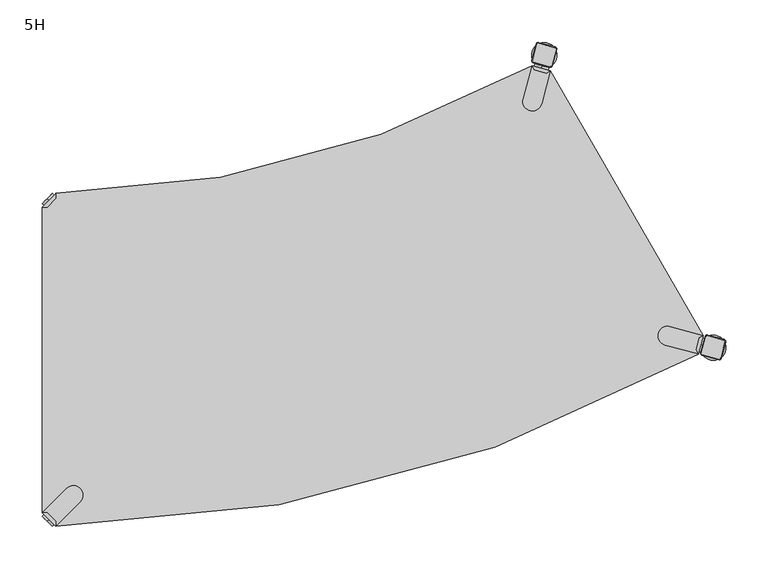
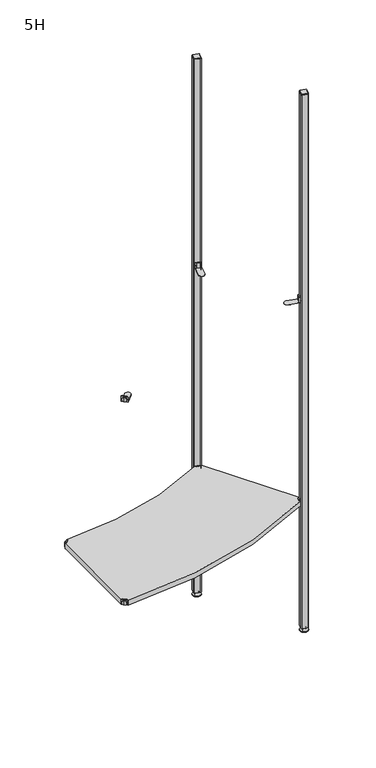
"""IFC4 building model written with IfcOpenShell, lengths in millimetres: furniture geometry, 5H."""

from ifc_helpers import new_model, si_unit, point, frame, frame_2d, origin, place, context, project, spatial, polyline, circle_curve, trimmed, segment, composite_curve, outline, extrude, source, transform, mapped, element, save
from ifc_brep_helpers import plane_surface, cylinder_surface, revolved_surface, advanced_brep


def furniture_5h_c23657b0(model_context):
    return source(origin(), model_context, "Body", "SolidModel", [
        advanced_brep(
        [(784.3573865, 207.0864775, 0.0), (810.3381486, 222.0864775, 0.0), (797.3477675, 214.5864775, 0.0), (784.3573865, 207.0864775, 2.0), (810.3381486, 222.0864775, 2.0), (790.4195643, 210.5864775, 9.0), (804.2759707, 218.5864775, 9.0), (793.8836659, 212.5864775, 9.0), (800.8118691, 216.5864775, 9.0), (793.8836659, 212.5864775, 15.0), (800.8118691, 216.5864775, 15.0), (797.3477675, 214.5864775, 15.0)],
        [
            (0, 1, circle_curve(frame((797.3477675, 214.5864775, 0.0), z_axis=(0.0, 0.0, -1.0), x_axis=(0.8660254037844338, 0.5000000000000082, 0.0)), 15.0)),
            (1, 2),
            (2, 0),
            (1, 0, circle_curve(frame((797.3477675, 214.5864775, 0.0), z_axis=(0.0, 0.0, -1.0), x_axis=(0.8660254037844338, 0.5000000000000082, 0.0)), 15.0)),
            (3, 4, circle_curve(frame((797.3477675, 214.5864775, 2.0), z_axis=(0.0, 0.0, -1.0), x_axis=(0.8660254037844338, 0.5000000000000082, 0.0)), 15.0)),
            (4, 1),
            (0, 3),
            (4, 3, circle_curve(frame((797.3477675, 214.5864775, 2.0), z_axis=(0.0, 0.0, -1.0), x_axis=(0.8660254037844338, 0.5000000000000082, 0.0)), 15.0)),
            (5, 6, circle_curve(frame((797.3477675, 214.5864775, 9.0), z_axis=(0.0, 0.0, -1.0), x_axis=(0.8660254037844338, 0.5000000000000082, 0.0)), 8.0)),
            (6, 4),
            (3, 5),
            (6, 5, circle_curve(frame((797.3477675, 214.5864775, 9.0), z_axis=(0.0, 0.0, -1.0), x_axis=(0.8660254037844338, 0.5000000000000082, 0.0)), 8.0)),
            (7, 8, circle_curve(frame((797.3477675, 214.5864775, 9.0), z_axis=(0.0, 0.0, -1.0), x_axis=(0.8660254037844338, 0.5000000000000082, 0.0)), 4.0)),
            (8, 6),
            (5, 7),
            (8, 7, circle_curve(frame((797.3477675, 214.5864775, 9.0), z_axis=(0.0, 0.0, -1.0), x_axis=(0.8660254037844338, 0.5000000000000082, 0.0)), 4.0)),
            (9, 10, circle_curve(frame((797.3477675, 214.5864775, 15.0), z_axis=(0.0, 0.0, -1.0), x_axis=(0.8660254037844338, 0.5000000000000082, 0.0)), 4.0)),
            (10, 8),
            (7, 9),
            (10, 9, circle_curve(frame((797.3477675, 214.5864775, 15.0), z_axis=(0.0, 0.0, -1.0), x_axis=(0.8660254037844338, 0.5000000000000082, 0.0)), 4.0)),
            (11, 10),
            (9, 11),
        ],
        [
            plane_surface(frame((797.3477675, 214.5864775, 0.0), z_axis=(0.0, 0.0, -1.0), x_axis=(0.8660254037844339, 0.5000000000000083, 0.0))),
            cylinder_surface(frame((797.3477675, 214.5864775, 18.6083303), z_axis=(0.0, 0.0, 1.0), x_axis=(0.8660254037844338, 0.5000000000000082, 0.0)), 15.0),
            revolved_surface(polyline([(810.3381486, 222.0864775, 2.0), (804.2759707, 218.5864775, 9.0)]), (797.3477675, 214.5864775, 18.6083303), (0.0, 0.0, 1.0)),
            plane_surface(frame((797.3477675, 214.5864775, 9.0), z_axis=(0.0, 0.0, 1.0), x_axis=(0.8660254037844339, 0.5000000000000083, 0.0))),
            cylinder_surface(frame((797.3477675, 214.5864775, 18.6083303), z_axis=(0.0, 0.0, 1.0), x_axis=(0.8660254037844338, 0.5000000000000082, 0.0)), 4.0),
            plane_surface(frame((797.3477675, 214.5864775, 15.0), z_axis=(0.0, 0.0, 1.0), x_axis=(0.8660254037844339, 0.5000000000000083, 0.0))),
        ],
        [
            (0, [[1, 2, 3]]),
            (0, [[4, -3, -2]]),
            (1, [[5, 6, -1, 7]]),
            (1, [[8, -7, -4, -6]]),
            (2, [[9, 10, -5, 11]]),
            (2, [[12, -11, -8, -10]]),
            (3, [[13, 14, -9, 15]]),
            (3, [[16, -15, -12, -14]]),
            (4, [[17, 18, -13, 19]]),
            (4, [[20, -19, -16, -18]]),
            (5, [[21, -17, 22]]),
            (5, [[-22, -20, -21]]),
        ],
    ),
        advanced_brep(
        [(788.6346258, 227.2739186, 2117.0), (783.4582449, 207.9554021, 2117.0), (784.6603264, 205.8733358, 2117.0), (803.9788429, 200.6969549, 2117.0), (806.0609092, 201.8990364, 2117.0), (811.2372901, 221.2175529, 2117.0), (810.0352086, 223.2996192, 2117.0), (790.7166921, 228.4760001, 2117.0), (787.8618851, 227.4809738, 2115.0), (790.9237473, 229.2487408, 2115.0), (810.2422638, 224.0723599, 2115.0), (812.0100308, 221.0104977, 2115.0), (806.8336499, 201.6919812, 2115.0), (803.7717877, 199.9242142, 2115.0), (784.4532712, 205.1005951, 2115.0), (782.6855042, 208.1624573, 2115.0)],
        [
            (0, 1),
            (1, 2, circle_curve(frame((785.1003188, 207.5154097, 2117.0), z_axis=(0.0, 0.0, 1.0), x_axis=(-0.965925826289073, 0.25881904510250314, 0.0)), 1.7)),
            (2, 3),
            (3, 4, circle_curve(frame((804.4188353, 202.3390288, 2117.0), z_axis=(0.0, 0.0, 1.0), x_axis=(-0.25881904510251363, -0.9659258262890702, 0.0)), 1.7)),
            (4, 5),
            (5, 6, circle_curve(frame((809.5952162, 221.6575453, 2117.0), z_axis=(0.0, 0.0, 1.0), x_axis=(0.9659258262890675, -0.258819045102523, 0.0)), 1.7)),
            (6, 7),
            (7, 0, circle_curve(frame((790.2766997, 226.8339262, 2117.0), z_axis=(0.0, 0.0, 1.0), x_axis=(0.25881904510250914, 0.9659258262890713, 0.0)), 1.7)),
            (8, 9, circle_curve(frame((790.2766997, 226.8339262, 2115.0), z_axis=(0.0, 0.0, -1.0), x_axis=(0.25881904510250914, 0.9659258262890713, 0.0)), 2.5)),
            (9, 10),
            (10, 11, circle_curve(frame((809.5952162, 221.6575453, 2115.0), z_axis=(0.0, 0.0, -1.0), x_axis=(0.9659258262890675, -0.258819045102523, 0.0)), 2.5)),
            (11, 12),
            (12, 13, circle_curve(frame((804.4188353, 202.3390288, 2115.0), z_axis=(0.0, 0.0, -1.0), x_axis=(-0.25881904510251363, -0.9659258262890702, 0.0)), 2.5)),
            (13, 14),
            (14, 15, circle_curve(frame((785.1003188, 207.5154097, 2115.0), z_axis=(0.0, 0.0, -1.0), x_axis=(-0.965925826289073, 0.25881904510250314, 0.0)), 2.5)),
            (15, 8),
            (15, 1),
            (0, 8),
            (14, 2),
            (13, 3),
            (12, 4),
            (11, 5),
            (10, 6),
            (9, 7),
        ],
        [
            plane_surface(frame((797.3477675, 214.5864775, 2117.0), z_axis=(0.0, 0.0, 1.0000000000000002), x_axis=(-0.9659258262890712, 0.2588190451025102, 0.0))),
            plane_surface(frame((797.3477675, 214.5864775, 2115.0), z_axis=(0.0, 0.0, -1.0000000000000002), x_axis=(-0.9659258262890712, 0.2588190451025102, 0.0))),
            plane_surface(frame((785.2736947, 217.8217156, 2115.0), z_axis=(-0.8968396148335178, 0.24030745053486183, 0.37139067635402817), x_axis=(-0.25881904510250225, -0.9659258262890733, 0.0))),
            revolved_surface(polyline([(783.458244872, 207.95540206799998, 2117.0), (782.6855042, 208.1624573, 2115.0)]), (785.1003188, 207.5154097, 2121.25), (0.0, 0.0, -1.0)),
            plane_surface(frame((794.1125294, 202.5124047, 2115.0), z_axis=(-0.2403074505348654, -0.8968396148335208, 0.37139067635401873), x_axis=(0.9659258262890725, -0.2588190451025051, 0.0))),
            revolved_surface(polyline([(803.978842932, 200.696954872, 2117.0), (803.7717877, 199.9242142, 2115.0)]), (804.4188353, 202.3390288, 2121.25), (0.0, 0.0, -1.0)),
            plane_surface(frame((809.4218403, 211.3512394, 2115.0), z_axis=(0.8968396148335338, -0.24030745053487898, 0.3713906763539787), x_axis=(0.25881904510252046, 0.9659258262890684, 0.0))),
            revolved_surface(polyline([(811.2372901279999, 221.21755293200002, 2117.0), (812.0100308, 221.0104977, 2115.0)]), (809.5952162, 221.6575453, 2121.25), (0.0, 0.0, -1.0)),
            plane_surface(frame((800.5830056, 226.6605503, 2115.0), z_axis=(0.24030745053488872, 0.8968396148335293, 0.3713906763539829), x_axis=(-0.9659258262890682, 0.25881904510252096, 0.0))),
            revolved_surface(polyline([(790.7166920679999, 228.476000128, 2117.0), (790.9237473, 229.2487408, 2115.0)]), (790.2766997, 226.8339262, 2121.25), (0.0, 0.0, -1.0)),
        ],
        [
            (0, [[1, 2, 3, 4, 5, 6, 7, 8]]),
            (1, [[9, 10, 11, 12, 13, 14, 15, 16]]),
            (2, [[-16, 17, -1, 18]]),
            (3, [[-15, 19, -2, -17]]),
            (4, [[-14, 20, -3, -19]]),
            (5, [[-13, 21, -4, -20]]),
            (6, [[-12, 22, -5, -21]]),
            (7, [[-11, 23, -6, -22]]),
            (8, [[-10, 24, -7, -23]]),
            (9, [[-9, -18, -8, -24]]),
        ],
    ),
        extrude(outline(composite_curve([segment(trimmed(circle_curve(frame_2d((809.5952162, 221.6575453)), 2.5), [point((810.2422638, 224.0723599))], [point((812.0100308, 221.0104977))], False, "CARTESIAN"), True, "CONTINUOUS"), segment(polyline([(812.0100308, 221.0104977), (806.8336499, 201.6919812)]), True, "CONTINUOUS"), segment(trimmed(circle_curve(frame_2d((804.4188353, 202.3390288)), 2.5), [point((806.8336499, 201.6919812))], [point((803.7717877, 199.9242142))], False, "CARTESIAN"), True, "CONTINUOUS"), segment(polyline([(803.7717877, 199.9242142), (784.4532712, 205.1005951)]), True, "CONTINUOUS"), segment(trimmed(circle_curve(frame_2d((785.1003188, 207.5154097)), 2.5), [point((784.4532712, 205.1005951))], [point((782.6855042, 208.1624573))], False, "CARTESIAN"), True, "CONTINUOUS"), segment(polyline([(782.6855042, 208.1624573), (787.8618851, 227.4809738)]), True, "CONTINUOUS"), segment(trimmed(circle_curve(frame_2d((790.2766997, 226.8339262)), 2.5), [point((787.8618851, 227.4809738))], [point((790.9237473, 229.2487408))], False, "CARTESIAN"), True, "CONTINUOUS"), segment(polyline([(790.9237473, 229.2487408), (810.2422638, 224.0723599)]), True, "CONTINUOUS")], self_intersect=False)), frame((0.0, 0.0, 15.0), z_axis=(0.0, 0.0, 1.0), x_axis=(1.0, 0.0, 0.0)), (0.0, 0.0, 1.0), 2100.0),
        advanced_brep(
        [(584.3575668, 553.4963267, 0.0), (597.3479479, 560.9963267, 0.0), (610.3383289, 568.4963267, 0.0), (584.3575668, 553.4963267, 2.0), (610.3383289, 568.4963267, 2.0), (590.4197446, 556.9963267, 9.0), (604.2761511, 564.9963267, 9.0), (593.8838462, 558.9963267, 9.0), (600.8120495, 562.9963267, 9.0), (593.8838462, 558.9963267, 15.0), (600.8120495, 562.9963267, 15.0), (597.3479479, 560.9963267, 15.0)],
        [
            (0, 1),
            (1, 2),
            (2, 0, circle_curve(frame((597.3479479, 560.9963267, 0.0), z_axis=(0.0, 0.0, -1.0), x_axis=(0.866025403784441, 0.4999999999999961, 0.0)), 15.0)),
            (0, 2, circle_curve(frame((597.3479479, 560.9963267, 0.0), z_axis=(0.0, 0.0, -1.0), x_axis=(0.866025403784441, 0.4999999999999961, 0.0)), 15.0)),
            (3, 0),
            (2, 4),
            (4, 3, circle_curve(frame((597.3479479, 560.9963267, 2.0), z_axis=(0.0, 0.0, -1.0), x_axis=(0.866025403784441, 0.4999999999999961, 0.0)), 15.0)),
            (3, 4, circle_curve(frame((597.3479479, 560.9963267, 2.0), z_axis=(0.0, 0.0, -1.0), x_axis=(0.866025403784441, 0.4999999999999961, 0.0)), 15.0)),
            (5, 3),
            (4, 6),
            (6, 5, circle_curve(frame((597.3479479, 560.9963267, 9.0), z_axis=(0.0, 0.0, -1.0), x_axis=(0.866025403784441, 0.4999999999999961, 0.0)), 8.0)),
            (5, 6, circle_curve(frame((597.3479479, 560.9963267, 9.0), z_axis=(0.0, 0.0, -1.0), x_axis=(0.866025403784441, 0.4999999999999961, 0.0)), 8.0)),
            (7, 5),
            (6, 8),
            (8, 7, circle_curve(frame((597.3479479, 560.9963267, 9.0), z_axis=(0.0, 0.0, -1.0), x_axis=(0.866025403784441, 0.4999999999999961, 0.0)), 4.0)),
            (7, 8, circle_curve(frame((597.3479479, 560.9963267, 9.0), z_axis=(0.0, 0.0, -1.0), x_axis=(0.866025403784441, 0.4999999999999961, 0.0)), 4.0)),
            (9, 7),
            (8, 10),
            (10, 9, circle_curve(frame((597.3479479, 560.9963267, 15.0), z_axis=(0.0, 0.0, -1.0), x_axis=(0.866025403784441, 0.4999999999999961, 0.0)), 4.0)),
            (9, 10, circle_curve(frame((597.3479479, 560.9963267, 15.0), z_axis=(0.0, 0.0, -1.0), x_axis=(0.866025403784441, 0.4999999999999961, 0.0)), 4.0)),
            (11, 9),
            (10, 11),
        ],
        [
            plane_surface(frame((597.3479479, 560.9963267, 0.0), z_axis=(0.0, 0.0, -1.0000000000000002), x_axis=(0.866025403784441, 0.4999999999999961, 0.0))),
            cylinder_surface(frame((597.3479479, 560.9963267, 18.6083303), z_axis=(0.0, 0.0, 1.0), x_axis=(0.866025403784441, 0.4999999999999961, 0.0)), 15.0),
            revolved_surface(polyline([(610.3383289, 568.4963267, 2.0), (604.2761511, 564.9963267, 9.0)]), (597.3479479, 560.9963267, 18.6083303), (0.0, 0.0, 1.0)),
            plane_surface(frame((597.3479479, 560.9963267, 9.0), z_axis=(0.0, 0.0, 1.0000000000000002), x_axis=(0.866025403784441, 0.4999999999999961, 0.0))),
            cylinder_surface(frame((597.3479479, 560.9963267, 18.6083303), z_axis=(0.0, 0.0, 1.0), x_axis=(0.866025403784441, 0.4999999999999961, 0.0)), 4.0),
            plane_surface(frame((597.3479479, 560.9963267, 15.0), z_axis=(0.0, 0.0, 1.0000000000000002), x_axis=(0.866025403784441, 0.4999999999999961, 0.0))),
        ],
        [
            (0, [[1, 2, 3]]),
            (0, [[-2, -1, 4]]),
            (1, [[5, -3, 6, 7]]),
            (1, [[-6, -4, -5, 8]]),
            (2, [[9, -7, 10, 11]]),
            (2, [[-10, -8, -9, 12]]),
            (3, [[13, -11, 14, 15]]),
            (3, [[-14, -12, -13, 16]]),
            (4, [[17, -15, 18, 19]]),
            (4, [[-18, -16, -17, 20]]),
            (5, [[21, -19, 22]]),
            (5, [[-22, -20, -21]]),
        ],
    ),
        advanced_brep(
        [(603.9790233, 547.106804, 2117.0), (606.0610896, 548.3088856, 2117.0), (611.2374705, 567.6274021, 2117.0), (610.0353889, 569.7094684, 2117.0), (590.7168724, 574.8858493, 2117.0), (588.6348061, 573.6837677, 2117.0), (583.4584252, 554.3652512, 2117.0), (584.6605068, 552.2831849, 2117.0), (603.7719681, 546.3340634, 2115.0), (584.4534515, 551.5104443, 2115.0), (582.6856846, 554.5723065, 2115.0), (587.8620655, 573.890823, 2115.0), (590.9239277, 575.6585899, 2115.0), (610.2424442, 570.482209, 2115.0), (612.0102111, 567.4203469, 2115.0), (606.8338302, 548.1018303, 2115.0)],
        [
            (0, 1, circle_curve(frame((604.4190157, 548.7488779, 2117.0), z_axis=(0.0, 0.0, 1.0), x_axis=(0.9659258262890666, -0.2588190451025275, 0.0)), 1.7)),
            (1, 2),
            (2, 3, circle_curve(frame((609.5953966, 568.0673945, 2117.0), z_axis=(0.0, 0.0, 1.0), x_axis=(0.2588190451025136, 0.9659258262890702, 0.0)), 1.7)),
            (3, 4),
            (4, 5, circle_curve(frame((590.27688, 573.2437754, 2117.0), z_axis=(0.0, 0.0, 1.0), x_axis=(-0.9659258262890679, 0.25881904510252307, 0.0)), 1.7)),
            (5, 6),
            (6, 7, circle_curve(frame((585.1004991, 553.9252588, 2117.0), z_axis=(0.0, 0.0, 1.0), x_axis=(-0.2588190451025336, -0.9659258262890651, 0.0)), 1.7)),
            (7, 0),
            (8, 9),
            (9, 10, circle_curve(frame((585.1004991, 553.9252588, 2115.0), z_axis=(0.0, 0.0, -1.0), x_axis=(-0.2588190451025336, -0.9659258262890651, 0.0)), 2.5)),
            (10, 11),
            (11, 12, circle_curve(frame((590.27688, 573.2437754, 2115.0), z_axis=(0.0, 0.0, -1.0), x_axis=(-0.9659258262890679, 0.25881904510252307, 0.0)), 2.5)),
            (12, 13),
            (13, 14, circle_curve(frame((609.5953966, 568.0673945, 2115.0), z_axis=(0.0, 0.0, -1.0), x_axis=(0.2588190451025136, 0.9659258262890702, 0.0)), 2.5)),
            (14, 15),
            (15, 8, circle_curve(frame((604.4190157, 548.7488779, 2115.0), z_axis=(0.0, 0.0, -1.0), x_axis=(0.9659258262890666, -0.2588190451025275, 0.0)), 2.5)),
            (8, 0),
            (7, 9),
            (6, 10),
            (5, 11),
            (4, 12),
            (3, 13),
            (2, 14),
            (1, 15),
        ],
        [
            plane_surface(frame((597.3479479, 560.9963267, 2117.0), z_axis=(0.0, 0.0, 1.0000000000000002), x_axis=(-0.25881904510252657, -0.9659258262890669, 0.0))),
            plane_surface(frame((597.3479479, 560.9963267, 2115.0), z_axis=(0.0, 0.0, -1.0000000000000002), x_axis=(-0.25881904510252657, -0.9659258262890669, 0.0))),
            plane_surface(frame((594.1127098, 548.9222538, 2115.0), z_axis=(-0.24030745053489166, -0.8968396148335098, 0.37139067635402817), x_axis=(-0.9659258262890646, 0.2588190451025344, 0.0))),
            revolved_surface(polyline([(584.660506732, 552.2831849400001, 2117.0), (584.4534515, 551.5104443, 2115.0)]), (585.1004991, 553.9252588, 2121.25), (0.0, 0.0, -1.0)),
            plane_surface(frame((585.273875, 564.2315647, 2115.0), z_axis=(-0.8968396148335143, 0.2403074505348901, 0.37139067635401884), x_axis=(0.2588190451025317, 0.9659258262890655, 0.0))),
            revolved_surface(polyline([(588.63480614, 573.6837677679999, 2117.0), (587.8620655, 573.890823, 2115.0)]), (590.27688, 573.2437754, 2121.25), (0.0, 0.0, -1.0)),
            plane_surface(frame((600.5831859, 573.0703995, 2115.0), z_axis=(0.24030745053488473, 0.8968396148335321, 0.3713906763539787), x_axis=(0.9659258262890695, -0.2588190451025162, 0.0))),
            revolved_surface(polyline([(610.035388968, 569.70946836, 2117.0), (610.2424442, 570.482209, 2115.0)]), (609.5953966, 568.0673945, 2121.25), (0.0, 0.0, -1.0)),
            plane_surface(frame((609.4220207, 557.7610886, 2115.0), z_axis=(0.8968396148335332, -0.24030745053487412, 0.37139067635398293), x_axis=(-0.2588190451025157, -0.9659258262890696, 0.0))),
            revolved_surface(polyline([(606.06108956, 548.308885532, 2117.0), (606.8338302, 548.1018303, 2115.0)]), (604.4190157, 548.7488779, 2121.25), (0.0, 0.0, -1.0)),
        ],
        [
            (0, [[1, 2, 3, 4, 5, 6, 7, 8]]),
            (1, [[9, 10, 11, 12, 13, 14, 15, 16]]),
            (2, [[17, -8, 18, -9]]),
            (3, [[-18, -7, 19, -10]]),
            (4, [[-19, -6, 20, -11]]),
            (5, [[-20, -5, 21, -12]]),
            (6, [[-21, -4, 22, -13]]),
            (7, [[-22, -3, 23, -14]]),
            (8, [[-23, -2, 24, -15]]),
            (9, [[-24, -1, -17, -16]]),
        ],
    ),
        extrude(outline(composite_curve([segment(polyline([(612.0102111, 567.4203469), (606.8338302, 548.1018303)]), True, "CONTINUOUS"), segment(trimmed(circle_curve(frame_2d((604.4190157, 548.7488779)), 2.5), [point((606.8338302, 548.1018303))], [point((603.7719681, 546.3340634))], False, "CARTESIAN"), True, "CONTINUOUS"), segment(polyline([(603.7719681, 546.3340634), (584.4534515, 551.5104443)]), True, "CONTINUOUS"), segment(trimmed(circle_curve(frame_2d((585.1004991, 553.9252588)), 2.5), [point((584.4534515, 551.5104443))], [point((582.6856846, 554.5723065))], False, "CARTESIAN"), True, "CONTINUOUS"), segment(polyline([(582.6856846, 554.5723065), (587.8620655, 573.890823)]), True, "CONTINUOUS"), segment(trimmed(circle_curve(frame_2d((590.27688, 573.2437754)), 2.5), [point((587.8620655, 573.890823))], [point((590.9239277, 575.6585899))], False, "CARTESIAN"), True, "CONTINUOUS"), segment(polyline([(590.9239277, 575.6585899), (610.2424442, 570.482209)]), True, "CONTINUOUS"), segment(trimmed(circle_curve(frame_2d((609.5953966, 568.0673945)), 2.5), [point((610.2424442, 570.482209))], [point((612.0102111, 567.4203469))], False, "CARTESIAN"), True, "CONTINUOUS")], self_intersect=False)), frame((0.0, 0.0, 15.0), z_axis=(0.0, 0.0, 1.0), x_axis=(1.0, 0.0, 0.0)), (0.0, 0.0, 1.0), 2100.0),
        advanced_brep(
        [(10.9601551, 10.9601551, 498.5), (10.9601551, 10.9601551, 507.0), (10.9601551, 10.9601551, 515.5), (8.8388348, 8.8388348, 498.5), (8.8388348, 8.8388348, 515.5), (8.8388348, 8.8388348, 507.0)],
        [
            (0, 1),
            (1, 2),
            (2, 0, circle_curve(frame((10.9601551, 10.9601551, 507.0), z_axis=(0.7071067811865465, 0.7071067811865486, 0.0), x_axis=(0.0, 0.0, 1.0)), 8.5)),
            (0, 2, circle_curve(frame((10.9601551, 10.9601551, 507.0), z_axis=(0.7071067811865465, 0.7071067811865486, 0.0), x_axis=(0.0, 0.0, 1.0)), 8.5)),
            (3, 0),
            (2, 4),
            (4, 3, circle_curve(frame((8.8388348, 8.8388348, 507.0), z_axis=(0.7071067811865465, 0.7071067811865486, 0.0), x_axis=(0.0, 0.0, 1.0)), 8.5)),
            (3, 4, circle_curve(frame((8.8388348, 8.8388348, 507.0), z_axis=(0.7071067811865465, 0.7071067811865486, 0.0), x_axis=(0.0, 0.0, 1.0)), 8.5)),
            (5, 3),
            (4, 5),
        ],
        [
            plane_surface(frame((10.9601551, 10.9601551, 507.0), z_axis=(0.7071067811865461, 0.707106781186549, 0.0), x_axis=(0.0, 0.0, 1.0))),
            cylinder_surface(frame((8.8388348, 8.8388348, 507.0), z_axis=(-0.7071067811865465, -0.7071067811865486, 0.0), x_axis=(0.0, 0.0, 1.0)), 8.5),
            plane_surface(frame((8.8388348, 8.8388348, 507.0), z_axis=(-0.7071067811865461, -0.707106781186549, 0.0), x_axis=(0.0, 0.0, 1.0))),
        ],
        [
            (0, [[1, 2, 3]]),
            (0, [[-2, -1, 4]]),
            (1, [[5, -3, 6, 7]]),
            (1, [[-6, -4, -5, 8]]),
            (2, [[9, -7, 10]]),
            (2, [[-10, -8, -9]]),
        ],
    ),
        advanced_brep(
        [(18.9203102, 3.0, 517.0), (18.9203102, 8.6568542, 517.0), (8.6568542, 18.9203102, 517.0), (3.0, 18.9203102, 517.0), (3.0, 18.9203102, 498.0), (3.0, 18.9203102, 497.0), (18.9203102, 3.0, 497.0), (18.9203102, 3.0, 498.0), (18.9203102, 8.6568542, 498.0), (8.6568542, 18.9203102, 498.0), (47.7297077, 31.8093975, 498.0), (31.8093975, 47.7297077, 498.0), (31.8093975, 47.7297077, 497.0), (47.7297077, 31.8093975, 497.0)],
        [
            (0, 1),
            (1, 2),
            (2, 3),
            (3, 0),
            (3, 4),
            (4, 5),
            (5, 6),
            (6, 7),
            (7, 0),
            (1, 8),
            (8, 9),
            (9, 2),
            (7, 8),
            (9, 4),
            (7, 10),
            (10, 11, circle_curve(frame((39.7695526, 39.7695526, 498.0), z_axis=(0.0, 0.0, 1.0), x_axis=(1.0, 0.0, 0.0)), 11.2573593)),
            (11, 4),
            (5, 12),
            (12, 13, circle_curve(frame((39.7695526, 39.7695526, 497.0), z_axis=(0.0, 0.0, -1.0), x_axis=(1.0, 0.0, 0.0)), 11.2573593)),
            (13, 6),
            (11, 12),
            (10, 13),
        ],
        [
            plane_surface(frame((-38.8756299, 60.7959401, 517.0), z_axis=(0.0, 0.0, 1.0), x_axis=(-0.7071067811865556, 0.7071067811865396, 0.0))),
            plane_surface(frame((18.9203102, 3.0, 517.0), z_axis=(-0.7071067811865396, -0.7071067811865556, 0.0), x_axis=(0.0, 0.0, -1.0))),
            plane_surface(frame((8.6568542, 18.9203102, 517.0), z_axis=(0.7071067811865482, 0.7071067811865468, 0.0), x_axis=(0.0, 0.0, -1.0))),
            plane_surface(frame((18.9203102, 8.6568542, 517.0), z_axis=(1.0, 0.0, 0.0), x_axis=(0.0, 0.0, -1.0))),
            plane_surface(frame((3.0, 18.9203102, 517.0), z_axis=(0.0, 1.0, 0.0), x_axis=(0.0, 0.0, -1.0))),
            plane_surface(frame((3.0, 18.9203102, 498.0), z_axis=(0.0, 0.0, 1.0), x_axis=(-0.7071067811865483, 0.7071067811865467, 0.0))),
            plane_surface(frame((3.0, 18.9203102, 497.0), z_axis=(0.0, 0.0, -1.0), x_axis=(0.7071067811865483, -0.7071067811865467, 0.0))),
            plane_surface(frame((3.0, 18.9203102, 498.0), z_axis=(-0.707106781186549, 0.7071067811865461, 0.0), x_axis=(0.0, 0.0, -1.0))),
            cylinder_surface(frame((39.7695526, 39.7695526, 497.0), z_axis=(0.0, 0.0, 1.0), x_axis=(1.0, 0.0, 0.0)), 11.2573593),
            plane_surface(frame((47.7297077, 31.8093975, 498.0), z_axis=(0.7071067811865479, -0.7071067811865472, 0.0), x_axis=(0.0, 0.0, -1.0))),
        ],
        [
            (0, [[1, 2, 3, 4]]),
            (1, [[5, 6, 7, 8, 9, -4]]),
            (2, [[10, 11, 12, -2]]),
            (3, [[-9, 13, -10, -1]]),
            (4, [[-12, 14, -5, -3]]),
            (5, [[-14, -11, -13, 15, 16, 17]]),
            (6, [[-7, 18, 19, 20]]),
            (7, [[21, -18, -6, -17]]),
            (8, [[22, -19, -21, -16]]),
            (9, [[-8, -20, -22, -15]]),
        ],
    ),
        advanced_brep(
        [(782.7920217, 217.8852702, 498.5), (782.7920217, 217.8852702, 515.5), (782.7920217, 217.8852702, 507.0), (785.6897991, 217.108813, 498.5), (785.6897991, 217.108813, 515.5), (785.6897991, 217.108813, 507.0)],
        [
            (0, 1, circle_curve(frame((782.7920217, 217.8852702, 507.0), z_axis=(-0.9659258262890685, 0.25881904510252, 0.0), x_axis=(0.0, 0.0, 1.0)), 8.5)),
            (1, 2),
            (2, 0),
            (1, 0, circle_curve(frame((782.7920217, 217.8852702, 507.0), z_axis=(-0.9659258262890685, 0.25881904510252, 0.0), x_axis=(0.0, 0.0, 1.0)), 8.5)),
            (3, 4, circle_curve(frame((785.6897991, 217.108813, 507.0), z_axis=(-0.9659258262890685, 0.25881904510252, 0.0), x_axis=(0.0, 0.0, 1.0)), 8.5)),
            (4, 1),
            (0, 3),
            (4, 3, circle_curve(frame((785.6897991, 217.108813, 507.0), z_axis=(-0.9659258262890685, 0.25881904510252, 0.0), x_axis=(0.0, 0.0, 1.0)), 8.5)),
            (5, 4),
            (3, 5),
        ],
        [
            plane_surface(frame((782.7920217, 217.8852702, 507.0), z_axis=(-0.9659258262890684, 0.25881904510252063, 0.0), x_axis=(0.0, 0.0, 1.0))),
            cylinder_surface(frame((785.6897991, 217.108813, 507.0), z_axis=(0.9659258262890685, -0.25881904510252, 0.0), x_axis=(0.0, 0.0, 1.0)), 8.5),
            plane_surface(frame((785.6897991, 217.108813, 507.0), z_axis=(0.9659258262890684, -0.25881904510252063, 0.0), x_axis=(0.0, 0.0, 1.0))),
        ],
        [
            (0, [[1, 2, 3]]),
            (0, [[4, -3, -2]]),
            (1, [[5, 6, -1, 7]]),
            (1, [[8, -7, -4, -6]]),
            (2, [[9, -5, 10]]),
            (2, [[-10, -8, -9]]),
        ],
    ),
        advanced_brep(
        [(779.8784027, 207.0114961, 517.0), (785.7056407, 228.7590443, 517.0), (780.8066612, 225.9306171, 517.0), (777.0499756, 211.9104756, 517.0), (779.8784027, 207.0114961, 498.0), (779.8784027, 207.0114961, 497.0), (785.7056407, 228.7590443, 497.0), (785.7056407, 228.7590443, 498.0), (780.8066612, 225.9306171, 498.0), (777.0499756, 211.9104756, 498.0), (746.3512718, 239.3040156, 498.0), (740.5240338, 217.5564674, 498.0), (740.5240338, 217.5564674, 497.0), (746.3512718, 239.3040156, 497.0)],
        [
            (0, 1),
            (1, 2),
            (2, 3),
            (3, 0),
            (0, 4),
            (4, 5),
            (5, 6),
            (6, 7),
            (7, 1),
            (2, 8),
            (8, 9),
            (9, 3),
            (9, 4),
            (7, 8),
            (7, 10),
            (10, 11, circle_curve(frame((743.4376528, 228.4302415, 498.0), z_axis=(0.0, 0.0, 1.0), x_axis=(-0.8660254037844375, -0.5000000000000021, 0.0)), 11.2573593)),
            (11, 4),
            (5, 12),
            (12, 13, circle_curve(frame((743.4376528, 228.4302415, 497.0), z_axis=(0.0, 0.0, -1.0), x_axis=(-0.8660254037844375, -0.5000000000000021, 0.0)), 11.2573593)),
            (13, 6),
            (13, 10),
            (12, 11),
        ],
        [
            plane_surface(frame((801.033185, 285.9622185, 517.0), z_axis=(0.0, 0.0, 1.0), x_axis=(0.25881904510252957, 0.965925826289066, 0.0))),
            plane_surface(frame((779.8784027, 207.0114961, 517.0), z_axis=(0.965925826289066, -0.25881904510252957, 0.0), x_axis=(0.0, 0.0, -1.0))),
            plane_surface(frame((780.8066612, 225.9306171, 517.0), z_axis=(-0.9659258262890692, 0.2588190451025176, 0.0), x_axis=(0.0, 0.0, -1.0))),
            plane_surface(frame((777.0499756, 211.9104756, 517.0), z_axis=(-0.866025403784462, -0.4999999999999597, 0.0), x_axis=(0.0, 0.0, -1.0))),
            plane_surface(frame((785.7056407, 228.7590443, 517.0), z_axis=(-0.4999999999999963, 0.8660254037844408, 0.0), x_axis=(0.0, 0.0, -1.0))),
            plane_surface(frame((785.7056407, 228.7590443, 498.0), z_axis=(0.0, 0.0, 1.0), x_axis=(0.2588190451025197, 0.9659258262890686, 0.0))),
            plane_surface(frame((785.7056407, 228.7590443, 497.0), z_axis=(0.0, 0.0, -1.0), x_axis=(-0.2588190451025197, -0.9659258262890686, 0.0))),
            plane_surface(frame((785.7056407, 228.7590443, 498.0), z_axis=(0.25881904510252063, 0.9659258262890684, 0.0), x_axis=(0.0, 0.0, -1.0))),
            cylinder_surface(frame((743.4376528, 228.4302415, 497.0), z_axis=(0.0, 0.0, 1.0), x_axis=(-0.8660254037844375, -0.5000000000000021, 0.0)), 11.2573593),
            plane_surface(frame((740.5240338, 217.5564674, 498.0), z_axis=(-0.2588190451025191, -0.9659258262890689, 0.0), x_axis=(0.0, 0.0, -1.0))),
        ],
        [
            (0, [[1, 2, 3, 4]]),
            (1, [[-1, 5, 6, 7, 8, 9]]),
            (2, [[-3, 10, 11, 12]]),
            (3, [[-4, -12, 13, -5]]),
            (4, [[-2, -9, 14, -10]]),
            (5, [[15, 16, 17, -13, -11, -14]]),
            (6, [[18, 19, 20, -7]]),
            (7, [[-15, -8, -20, 21]]),
            (8, [[-16, -21, -19, 22]]),
            (9, [[-17, -22, -18, -6]]),
        ],
    ),
        advanced_brep(
        [(593.7274939, 545.3267511, 498.5), (593.7274939, 545.3267511, 507.0), (593.7274939, 545.3267511, 515.5), (594.503951, 548.2245285, 498.5), (594.503951, 548.2245285, 515.5), (594.503951, 548.2245285, 507.0)],
        [
            (0, 1),
            (1, 2),
            (2, 0, circle_curve(frame((593.7274939, 545.3267511, 507.0), z_axis=(-0.25881904510252524, -0.9659258262890672, 0.0), x_axis=(0.0, 0.0, 1.0)), 8.5)),
            (0, 2, circle_curve(frame((593.7274939, 545.3267511, 507.0), z_axis=(-0.25881904510252524, -0.9659258262890672, 0.0), x_axis=(0.0, 0.0, 1.0)), 8.5)),
            (3, 0),
            (2, 4),
            (4, 3, circle_curve(frame((594.503951, 548.2245285, 507.0), z_axis=(-0.25881904510252524, -0.9659258262890672, 0.0), x_axis=(0.0, 0.0, 1.0)), 8.5)),
            (3, 4, circle_curve(frame((594.503951, 548.2245285, 507.0), z_axis=(-0.25881904510252524, -0.9659258262890672, 0.0), x_axis=(0.0, 0.0, 1.0)), 8.5)),
            (5, 3),
            (4, 5),
        ],
        [
            plane_surface(frame((593.7274939, 545.3267511, 507.0), z_axis=(-0.2588190451025247, -0.9659258262890673, 0.0), x_axis=(0.0, 0.0, 1.0))),
            cylinder_surface(frame((594.503951, 548.2245285, 507.0), z_axis=(0.25881904510252524, 0.9659258262890672, 0.0), x_axis=(0.0, 0.0, 1.0)), 8.5),
            plane_surface(frame((594.503951, 548.2245285, 507.0), z_axis=(0.2588190451025247, 0.9659258262890673, 0.0), x_axis=(0.0, 0.0, 1.0))),
        ],
        [
            (0, [[1, 2, 3]]),
            (0, [[-2, -1, 4]]),
            (1, [[5, -3, 6, 7]]),
            (1, [[-6, -4, -5, 8]]),
            (2, [[9, -7, 10]]),
            (2, [[-10, -8, -9]]),
        ],
    ),
        advanced_brep(
        [(582.8537198, 548.2403701, 517.0), (585.6821469, 543.3413906, 517.0), (599.7022885, 539.584705, 517.0), (604.601268, 542.4131321, 517.0), (604.601268, 542.4131321, 498.0), (604.601268, 542.4131321, 497.0), (582.8537198, 548.2403701, 497.0), (582.8537198, 548.2403701, 498.0), (585.6821469, 543.3413906, 498.0), (599.7022885, 539.584705, 498.0), (572.3087484, 508.8860012, 498.0), (594.0562966, 503.0587632, 498.0), (594.0562966, 503.0587632, 497.0), (572.3087484, 508.8860012, 497.0)],
        [
            (0, 1),
            (1, 2),
            (2, 3),
            (3, 0),
            (3, 4),
            (4, 5),
            (5, 6),
            (6, 7),
            (7, 0),
            (1, 8),
            (8, 9),
            (9, 2),
            (7, 8),
            (9, 4),
            (7, 10),
            (10, 11, circle_curve(frame((583.1825225, 505.9723822, 498.0), z_axis=(0.0, 0.0, 1.0), x_axis=(-0.8660254037844418, -0.49999999999999467, 0.0)), 11.2573593)),
            (11, 4),
            (5, 12),
            (12, 13, circle_curve(frame((583.1825225, 505.9723822, 497.0), z_axis=(0.0, 0.0, -1.0), x_axis=(-0.8660254037844418, -0.49999999999999467, 0.0)), 11.2573593)),
            (13, 6),
            (11, 12),
            (10, 13),
        ],
        [
            plane_surface(frame((661.8044422, 527.0855877, 517.0), z_axis=(0.0, 0.0, 1.0000000000000002), x_axis=(0.9659258262890698, -0.25881904510251574, 0.0))),
            plane_surface(frame((582.8537198, 548.2403701, 517.0), z_axis=(0.25881904510251574, 0.9659258262890698, 0.0), x_axis=(0.0, 0.0, -1.0))),
            plane_surface(frame((599.7022885, 539.584705, 517.0), z_axis=(-0.25881904510252757, -0.9659258262890665, 0.0), x_axis=(0.0, 0.0, -1.0))),
            plane_surface(frame((585.6821469, 543.3413906, 517.0), z_axis=(-0.8660254037844173, -0.5000000000000371, 0.0), x_axis=(0.0, 0.0, -1.0))),
            plane_surface(frame((604.601268, 542.4131321, 517.0), z_axis=(0.5000000000000004, -0.8660254037844385, 0.0), x_axis=(0.0, 0.0, -1.0))),
            plane_surface(frame((604.601268, 542.4131321, 498.0), z_axis=(0.0, 0.0, 1.0), x_axis=(0.9659258262890671, -0.25881904510252546, 0.0))),
            plane_surface(frame((604.601268, 542.4131321, 497.0), z_axis=(0.0, 0.0, -1.0), x_axis=(-0.9659258262890671, 0.25881904510252546, 0.0))),
            plane_surface(frame((604.601268, 542.4131321, 498.0), z_axis=(0.9659258262890673, -0.2588190451025247, 0.0), x_axis=(0.0, 0.0, -1.0))),
            cylinder_surface(frame((583.1825225, 505.9723822, 497.0), z_axis=(0.0, 0.0, 1.0), x_axis=(-0.8660254037844418, -0.49999999999999467, 0.0)), 11.2573593),
            plane_surface(frame((572.3087484, 508.8860012, 498.0), z_axis=(-0.9659258262890669, 0.2588190451025262, 0.0), x_axis=(0.0, 0.0, -1.0))),
        ],
        [
            (0, [[1, 2, 3, 4]]),
            (1, [[5, 6, 7, 8, 9, -4]]),
            (2, [[10, 11, 12, -2]]),
            (3, [[-9, 13, -10, -1]]),
            (4, [[-12, 14, -5, -3]]),
            (5, [[-14, -11, -13, 15, 16, 17]]),
            (6, [[-7, 18, 19, 20]]),
            (7, [[21, -18, -6, -17]]),
            (8, [[22, -19, -21, -16]]),
            (9, [[-8, -20, -22, -15]]),
        ],
    ),
        advanced_brep(
        [(10.9601551, 389.0398449, 498.5), (10.9601551, 389.0398449, 515.5), (10.9601551, 389.0398449, 507.0), (8.8388348, 391.1611652, 498.5), (8.8388348, 391.1611652, 515.5), (8.8388348, 391.1611652, 507.0)],
        [
            (0, 1, circle_curve(frame((10.9601551, 389.0398449, 507.0), z_axis=(0.7071067811865509, -0.7071067811865441, 0.0), x_axis=(0.0, 0.0, 1.0)), 8.5)),
            (1, 2),
            (2, 0),
            (1, 0, circle_curve(frame((10.9601551, 389.0398449, 507.0), z_axis=(0.7071067811865509, -0.7071067811865441, 0.0), x_axis=(0.0, 0.0, 1.0)), 8.5)),
            (3, 4, circle_curve(frame((8.8388348, 391.1611652, 507.0), z_axis=(0.7071067811865509, -0.7071067811865441, 0.0), x_axis=(0.0, 0.0, 1.0)), 8.5)),
            (4, 1),
            (0, 3),
            (4, 3, circle_curve(frame((8.8388348, 391.1611652, 507.0), z_axis=(0.7071067811865509, -0.7071067811865441, 0.0), x_axis=(0.0, 0.0, 1.0)), 8.5)),
            (5, 4),
            (3, 5),
        ],
        [
            plane_surface(frame((10.9601551, 389.0398449, 507.0), z_axis=(0.7071067811865506, -0.7071067811865446, 0.0), x_axis=(0.0, 0.0, 1.0))),
            cylinder_surface(frame((8.8388348, 391.1611652, 507.0), z_axis=(-0.7071067811865509, 0.7071067811865441, 0.0), x_axis=(0.0, 0.0, 1.0)), 8.5),
            plane_surface(frame((8.8388348, 391.1611652, 507.0), z_axis=(-0.7071067811865506, 0.7071067811865446, 0.0), x_axis=(0.0, 0.0, 1.0))),
        ],
        [
            (0, [[1, 2, 3]]),
            (0, [[4, -3, -2]]),
            (1, [[5, 6, -1, 7]]),
            (1, [[8, -7, -4, -6]]),
            (2, [[9, -5, 10]]),
            (2, [[-10, -8, -9]]),
        ],
    ),
        advanced_brep(
        [(18.9203102, 397.0, 517.0), (3.0, 381.0796898, 517.0), (8.6568542, 381.0796898, 517.0), (18.9203102, 391.3431458, 517.0), (18.9203102, 397.0, 498.0), (18.9203102, 397.0, 497.0), (3.0, 381.0796898, 497.0), (3.0, 381.0796898, 498.0), (8.6568542, 381.0796898, 498.0), (18.9203102, 391.3431458, 498.0), (31.8093975, 352.2702923, 498.0), (47.7297077, 368.1906025, 498.0), (47.7297077, 368.1906025, 497.0), (31.8093975, 352.2702923, 497.0)],
        [
            (0, 1),
            (1, 2),
            (2, 3),
            (3, 0),
            (0, 4),
            (4, 5),
            (5, 6),
            (6, 7),
            (7, 1),
            (2, 8),
            (8, 9),
            (9, 3),
            (9, 4),
            (7, 8),
            (7, 10),
            (10, 11, circle_curve(frame((39.7695526, 360.2304474, 498.0), z_axis=(0.0, 0.0, 1.0), x_axis=(1.0, 0.0, 0.0)), 11.2573593)),
            (11, 4),
            (5, 12),
            (12, 13, circle_curve(frame((39.7695526, 360.2304474, 497.0), z_axis=(0.0, 0.0, -1.0), x_axis=(1.0, 0.0, 0.0)), 11.2573593)),
            (13, 6),
            (13, 10),
            (12, 11),
        ],
        [
            plane_surface(frame((-38.8756299, 339.2040599, 517.0), z_axis=(0.0, 0.0, 1.0000000000000002), x_axis=(-0.7071067811865511, -0.707106781186544, 0.0))),
            plane_surface(frame((18.9203102, 397.0, 517.0), z_axis=(-0.707106781186544, 0.7071067811865511, 0.0), x_axis=(0.0, 0.0, -1.0))),
            plane_surface(frame((8.6568542, 381.0796898, 517.0), z_axis=(0.7071067811865527, -0.7071067811865424, 0.0), x_axis=(0.0, 0.0, -1.0))),
            plane_surface(frame((18.9203102, 391.3431458, 517.0), z_axis=(1.0, 0.0, 0.0), x_axis=(0.0, 0.0, -1.0))),
            plane_surface(frame((3.0, 381.0796898, 517.0), z_axis=(0.0, -1.0, 0.0), x_axis=(0.0, 0.0, -1.0))),
            plane_surface(frame((3.0, 381.0796898, 498.0), z_axis=(0.0, 0.0, 1.0), x_axis=(-0.7071067811865439, -0.7071067811865511, 0.0))),
            plane_surface(frame((3.0, 381.0796898, 497.0), z_axis=(0.0, 0.0, -1.0), x_axis=(0.7071067811865439, 0.7071067811865511, 0.0))),
            plane_surface(frame((3.0, 381.0796898, 498.0), z_axis=(-0.7071067811865446, -0.7071067811865506, 0.0), x_axis=(0.0, 0.0, -1.0))),
            cylinder_surface(frame((39.7695526, 360.2304474, 497.0), z_axis=(0.0, 0.0, 1.0), x_axis=(1.0, 0.0, 0.0)), 11.2573593),
            plane_surface(frame((47.7297077, 368.1906025, 498.0), z_axis=(0.7071067811865435, 0.7071067811865517, 0.0), x_axis=(0.0, 0.0, -1.0))),
        ],
        [
            (0, [[1, 2, 3, 4]]),
            (1, [[-1, 5, 6, 7, 8, 9]]),
            (2, [[-3, 10, 11, 12]]),
            (3, [[-4, -12, 13, -5]]),
            (4, [[-2, -9, 14, -10]]),
            (5, [[15, 16, 17, -13, -11, -14]]),
            (6, [[18, 19, 20, -7]]),
            (7, [[-15, -8, -20, 21]]),
            (8, [[-16, -21, -19, 22]]),
            (9, [[-17, -22, -18, -6]]),
        ],
    ),
        extrude(outline(composite_curve([segment(polyline([(3.0, 381.0796898), (8.6568542, 381.0796898), (18.9203102, 391.3431458), (18.9203102, 397.1493369)]), True, "CONTINUOUS"), segment(trimmed(circle_curve(frame_2d((0.0, 1595.6333221)), 1198.6333221), [point((18.9203102, 397.1493369))], [point((582.8586275, 548.2567608))], True, "CARTESIAN"), True, "CONTINUOUS"), segment(polyline([(582.8586275, 548.2567608), (585.6991478, 543.3368352), (599.7022885, 539.584705), (604.609961, 542.418151), (785.7022582, 228.7570914), (780.8066612, 225.9306171), (777.0494272, 211.9084292), (779.8770965, 207.0107625)]), True, "CONTINUOUS"), segment(trimmed(circle_curve(frame_2d((0.0, 1595.6333221)), 1592.6333221), [point((779.8770965, 207.0107625))], [point((18.9203102, 3.1123896))], False, "CARTESIAN"), True, "CONTINUOUS"), segment(polyline([(18.9203102, 3.1123896), (18.9203102, 8.6568542), (8.6568542, 18.9203102), (3.0, 18.9203102), (3.0, 381.0796898)]), True, "CONTINUOUS")], self_intersect=False)), frame((0.0, 0.0, 498.0), z_axis=(0.0, 0.0, 1.0), x_axis=(1.0, 0.0, 0.0)), (0.0, 0.0, 1.0), 19.0),
        advanced_brep(
        [(10.9601551, 10.9601551, 1298.5), (10.9601551, 10.9601551, 1307.0), (10.9601551, 10.9601551, 1315.5), (8.8388348, 8.8388348, 1298.5), (8.8388348, 8.8388348, 1315.5), (8.8388348, 8.8388348, 1307.0)],
        [
            (0, 1),
            (1, 2),
            (2, 0, circle_curve(frame((10.9601551, 10.9601551, 1307.0), z_axis=(0.7071067811865465, 0.7071067811865486, 0.0), x_axis=(0.0, 0.0, 1.0)), 8.5)),
            (0, 2, circle_curve(frame((10.9601551, 10.9601551, 1307.0), z_axis=(0.7071067811865465, 0.7071067811865486, 0.0), x_axis=(0.0, 0.0, 1.0)), 8.5)),
            (3, 0),
            (2, 4),
            (4, 3, circle_curve(frame((8.8388348, 8.8388348, 1307.0), z_axis=(0.7071067811865465, 0.7071067811865486, 0.0), x_axis=(0.0, 0.0, 1.0)), 8.5)),
            (3, 4, circle_curve(frame((8.8388348, 8.8388348, 1307.0), z_axis=(0.7071067811865465, 0.7071067811865486, 0.0), x_axis=(0.0, 0.0, 1.0)), 8.5)),
            (5, 3),
            (4, 5),
        ],
        [
            plane_surface(frame((10.9601551, 10.9601551, 1307.0), z_axis=(0.7071067811865461, 0.707106781186549, 0.0), x_axis=(0.0, 0.0, 1.0))),
            cylinder_surface(frame((8.8388348, 8.8388348, 1307.0), z_axis=(-0.7071067811865465, -0.7071067811865486, 0.0), x_axis=(0.0, 0.0, 1.0)), 8.5),
            plane_surface(frame((8.8388348, 8.8388348, 1307.0), z_axis=(-0.7071067811865461, -0.707106781186549, 0.0), x_axis=(0.0, 0.0, 1.0))),
        ],
        [
            (0, [[1, 2, 3]]),
            (0, [[-2, -1, 4]]),
            (1, [[5, -3, 6, 7]]),
            (1, [[-6, -4, -5, 8]]),
            (2, [[9, -7, 10]]),
            (2, [[-10, -8, -9]]),
        ],
    ),
        advanced_brep(
        [(18.9203102, 3.0, 1317.0), (18.9203102, 8.6568542, 1317.0), (8.6568542, 18.9203102, 1317.0), (3.0, 18.9203102, 1317.0), (3.0, 18.9203102, 1298.0), (3.0, 18.9203102, 1297.0), (18.9203102, 3.0, 1297.0), (18.9203102, 3.0, 1298.0), (18.9203102, 8.6568542, 1298.0), (8.6568542, 18.9203102, 1298.0), (47.7297077, 31.8093975, 1298.0), (31.8093975, 47.7297077, 1298.0), (31.8093975, 47.7297077, 1297.0), (47.7297077, 31.8093975, 1297.0)],
        [
            (0, 1),
            (1, 2),
            (2, 3),
            (3, 0),
            (3, 4),
            (4, 5),
            (5, 6),
            (6, 7),
            (7, 0),
            (1, 8),
            (8, 9),
            (9, 2),
            (7, 8),
            (9, 4),
            (7, 10),
            (10, 11, circle_curve(frame((39.7695526, 39.7695526, 1298.0), z_axis=(0.0, 0.0, 1.0), x_axis=(1.0, 0.0, 0.0)), 11.2573593)),
            (11, 4),
            (5, 12),
            (12, 13, circle_curve(frame((39.7695526, 39.7695526, 1297.0), z_axis=(0.0, 0.0, -1.0), x_axis=(1.0, 0.0, 0.0)), 11.2573593)),
            (13, 6),
            (11, 12),
            (10, 13),
        ],
        [
            plane_surface(frame((-38.8756299, 60.7959401, 1317.0), z_axis=(0.0, 0.0, 1.0), x_axis=(-0.7071067811865556, 0.7071067811865396, 0.0))),
            plane_surface(frame((18.9203102, 3.0, 1317.0), z_axis=(-0.7071067811865396, -0.7071067811865556, 0.0), x_axis=(0.0, 0.0, -1.0))),
            plane_surface(frame((8.6568542, 18.9203102, 1317.0), z_axis=(0.7071067811865482, 0.7071067811865468, 0.0), x_axis=(0.0, 0.0, -1.0))),
            plane_surface(frame((18.9203102, 8.6568542, 1317.0), z_axis=(1.0, 0.0, 0.0), x_axis=(0.0, 0.0, -1.0))),
            plane_surface(frame((3.0, 18.9203102, 1317.0), z_axis=(0.0, 1.0, 0.0), x_axis=(0.0, 0.0, -1.0))),
            plane_surface(frame((3.0, 18.9203102, 1298.0), z_axis=(0.0, 0.0, 1.0), x_axis=(-0.7071067811865483, 0.7071067811865467, 0.0))),
            plane_surface(frame((3.0, 18.9203102, 1297.0), z_axis=(0.0, 0.0, -1.0), x_axis=(0.7071067811865483, -0.7071067811865467, 0.0))),
            plane_surface(frame((3.0, 18.9203102, 1298.0), z_axis=(-0.707106781186549, 0.7071067811865461, 0.0), x_axis=(0.0, 0.0, -1.0))),
            cylinder_surface(frame((39.7695526, 39.7695526, 1297.0), z_axis=(0.0, 0.0, 1.0), x_axis=(1.0, 0.0, 0.0)), 11.2573593),
            plane_surface(frame((47.7297077, 31.8093975, 1298.0), z_axis=(0.7071067811865479, -0.7071067811865472, 0.0), x_axis=(0.0, 0.0, -1.0))),
        ],
        [
            (0, [[1, 2, 3, 4]]),
            (1, [[5, 6, 7, 8, 9, -4]]),
            (2, [[10, 11, 12, -2]]),
            (3, [[-9, 13, -10, -1]]),
            (4, [[-12, 14, -5, -3]]),
            (5, [[-14, -11, -13, 15, 16, 17]]),
            (6, [[-7, 18, 19, 20]]),
            (7, [[21, -18, -6, -17]]),
            (8, [[22, -19, -21, -16]]),
            (9, [[-8, -20, -22, -15]]),
        ],
    ),
        advanced_brep(
        [(782.7920217, 217.8852702, 1298.5), (782.7920217, 217.8852702, 1315.5), (782.7920217, 217.8852702, 1307.0), (785.6897991, 217.108813, 1298.5), (785.6897991, 217.108813, 1315.5), (785.6897991, 217.108813, 1307.0)],
        [
            (0, 1, circle_curve(frame((782.7920217, 217.8852702, 1307.0), z_axis=(-0.9659258262890685, 0.25881904510252, 0.0), x_axis=(0.0, 0.0, 1.0)), 8.5)),
            (1, 2),
            (2, 0),
            (1, 0, circle_curve(frame((782.7920217, 217.8852702, 1307.0), z_axis=(-0.9659258262890685, 0.25881904510252, 0.0), x_axis=(0.0, 0.0, 1.0)), 8.5)),
            (3, 4, circle_curve(frame((785.6897991, 217.108813, 1307.0), z_axis=(-0.9659258262890685, 0.25881904510252, 0.0), x_axis=(0.0, 0.0, 1.0)), 8.5)),
            (4, 1),
            (0, 3),
            (4, 3, circle_curve(frame((785.6897991, 217.108813, 1307.0), z_axis=(-0.9659258262890685, 0.25881904510252, 0.0), x_axis=(0.0, 0.0, 1.0)), 8.5)),
            (5, 4),
            (3, 5),
        ],
        [
            plane_surface(frame((782.7920217, 217.8852702, 1307.0), z_axis=(-0.9659258262890684, 0.25881904510252063, 0.0), x_axis=(0.0, 0.0, 1.0))),
            cylinder_surface(frame((785.6897991, 217.108813, 1307.0), z_axis=(0.9659258262890685, -0.25881904510252, 0.0), x_axis=(0.0, 0.0, 1.0)), 8.5),
            plane_surface(frame((785.6897991, 217.108813, 1307.0), z_axis=(0.9659258262890684, -0.25881904510252063, 0.0), x_axis=(0.0, 0.0, 1.0))),
        ],
        [
            (0, [[1, 2, 3]]),
            (0, [[4, -3, -2]]),
            (1, [[5, 6, -1, 7]]),
            (1, [[8, -7, -4, -6]]),
            (2, [[9, -5, 10]]),
            (2, [[-10, -8, -9]]),
        ],
    ),
        advanced_brep(
        [(779.8784027, 207.0114961, 1317.0), (785.7056407, 228.7590443, 1317.0), (780.8066612, 225.9306171, 1317.0), (777.0499756, 211.9104756, 1317.0), (779.8784027, 207.0114961, 1298.0), (779.8784027, 207.0114961, 1297.0), (785.7056407, 228.7590443, 1297.0), (785.7056407, 228.7590443, 1298.0), (780.8066612, 225.9306171, 1298.0), (777.0499756, 211.9104756, 1298.0), (746.3512718, 239.3040156, 1298.0), (740.5240338, 217.5564674, 1298.0), (740.5240338, 217.5564674, 1297.0), (746.3512718, 239.3040156, 1297.0)],
        [
            (0, 1),
            (1, 2),
            (2, 3),
            (3, 0),
            (0, 4),
            (4, 5),
            (5, 6),
            (6, 7),
            (7, 1),
            (2, 8),
            (8, 9),
            (9, 3),
            (9, 4),
            (7, 8),
            (7, 10),
            (10, 11, circle_curve(frame((743.4376528, 228.4302415, 1298.0), z_axis=(0.0, 0.0, 1.0), x_axis=(-0.8660254037844375, -0.5000000000000021, 0.0)), 11.2573593)),
            (11, 4),
            (5, 12),
            (12, 13, circle_curve(frame((743.4376528, 228.4302415, 1297.0), z_axis=(0.0, 0.0, -1.0), x_axis=(-0.8660254037844375, -0.5000000000000021, 0.0)), 11.2573593)),
            (13, 6),
            (13, 10),
            (12, 11),
        ],
        [
            plane_surface(frame((801.033185, 285.9622185, 1317.0), z_axis=(0.0, 0.0, 1.0), x_axis=(0.25881904510252957, 0.965925826289066, 0.0))),
            plane_surface(frame((779.8784027, 207.0114961, 1317.0), z_axis=(0.965925826289066, -0.25881904510252957, 0.0), x_axis=(0.0, 0.0, -1.0))),
            plane_surface(frame((780.8066612, 225.9306171, 1317.0), z_axis=(-0.9659258262890692, 0.2588190451025176, 0.0), x_axis=(0.0, 0.0, -1.0))),
            plane_surface(frame((777.0499756, 211.9104756, 1317.0), z_axis=(-0.866025403784462, -0.4999999999999597, 0.0), x_axis=(0.0, 0.0, -1.0))),
            plane_surface(frame((785.7056407, 228.7590443, 1317.0), z_axis=(-0.4999999999999963, 0.8660254037844408, 0.0), x_axis=(0.0, 0.0, -1.0))),
            plane_surface(frame((785.7056407, 228.7590443, 1298.0), z_axis=(0.0, 0.0, 1.0), x_axis=(0.2588190451025197, 0.9659258262890686, 0.0))),
            plane_surface(frame((785.7056407, 228.7590443, 1297.0), z_axis=(0.0, 0.0, -1.0), x_axis=(-0.2588190451025197, -0.9659258262890686, 0.0))),
            plane_surface(frame((785.7056407, 228.7590443, 1298.0), z_axis=(0.25881904510252063, 0.9659258262890684, 0.0), x_axis=(0.0, 0.0, -1.0))),
            cylinder_surface(frame((743.4376528, 228.4302415, 1297.0), z_axis=(0.0, 0.0, 1.0), x_axis=(-0.8660254037844375, -0.5000000000000021, 0.0)), 11.2573593),
            plane_surface(frame((740.5240338, 217.5564674, 1298.0), z_axis=(-0.2588190451025191, -0.9659258262890689, 0.0), x_axis=(0.0, 0.0, -1.0))),
        ],
        [
            (0, [[1, 2, 3, 4]]),
            (1, [[-1, 5, 6, 7, 8, 9]]),
            (2, [[-3, 10, 11, 12]]),
            (3, [[-4, -12, 13, -5]]),
            (4, [[-2, -9, 14, -10]]),
            (5, [[15, 16, 17, -13, -11, -14]]),
            (6, [[18, 19, 20, -7]]),
            (7, [[-15, -8, -20, 21]]),
            (8, [[-16, -21, -19, 22]]),
            (9, [[-17, -22, -18, -6]]),
        ],
    ),
        advanced_brep(
        [(593.7274939, 545.3267511, 1298.5), (593.7274939, 545.3267511, 1307.0), (593.7274939, 545.3267511, 1315.5), (594.503951, 548.2245285, 1298.5), (594.503951, 548.2245285, 1315.5), (594.503951, 548.2245285, 1307.0)],
        [
            (0, 1),
            (1, 2),
            (2, 0, circle_curve(frame((593.7274939, 545.3267511, 1307.0), z_axis=(-0.25881904510252524, -0.9659258262890672, 0.0), x_axis=(0.0, 0.0, 1.0)), 8.5)),
            (0, 2, circle_curve(frame((593.7274939, 545.3267511, 1307.0), z_axis=(-0.25881904510252524, -0.9659258262890672, 0.0), x_axis=(0.0, 0.0, 1.0)), 8.5)),
            (3, 0),
            (2, 4),
            (4, 3, circle_curve(frame((594.503951, 548.2245285, 1307.0), z_axis=(-0.25881904510252524, -0.9659258262890672, 0.0), x_axis=(0.0, 0.0, 1.0)), 8.5)),
            (3, 4, circle_curve(frame((594.503951, 548.2245285, 1307.0), z_axis=(-0.25881904510252524, -0.9659258262890672, 0.0), x_axis=(0.0, 0.0, 1.0)), 8.5)),
            (5, 3),
            (4, 5),
        ],
        [
            plane_surface(frame((593.7274939, 545.3267511, 1307.0), z_axis=(-0.2588190451025247, -0.9659258262890673, 0.0), x_axis=(0.0, 0.0, 1.0))),
            cylinder_surface(frame((594.503951, 548.2245285, 1307.0), z_axis=(0.25881904510252524, 0.9659258262890672, 0.0), x_axis=(0.0, 0.0, 1.0)), 8.5),
            plane_surface(frame((594.503951, 548.2245285, 1307.0), z_axis=(0.2588190451025247, 0.9659258262890673, 0.0), x_axis=(0.0, 0.0, 1.0))),
        ],
        [
            (0, [[1, 2, 3]]),
            (0, [[-2, -1, 4]]),
            (1, [[5, -3, 6, 7]]),
            (1, [[-6, -4, -5, 8]]),
            (2, [[9, -7, 10]]),
            (2, [[-10, -8, -9]]),
        ],
    ),
        advanced_brep(
        [(582.8537198, 548.2403701, 1317.0), (585.6821469, 543.3413906, 1317.0), (599.7022885, 539.584705, 1317.0), (604.601268, 542.4131321, 1317.0), (604.601268, 542.4131321, 1298.0), (604.601268, 542.4131321, 1297.0), (582.8537198, 548.2403701, 1297.0), (582.8537198, 548.2403701, 1298.0), (585.6821469, 543.3413906, 1298.0), (599.7022885, 539.584705, 1298.0), (572.3087484, 508.8860012, 1298.0), (594.0562966, 503.0587632, 1298.0), (594.0562966, 503.0587632, 1297.0), (572.3087484, 508.8860012, 1297.0)],
        [
            (0, 1),
            (1, 2),
            (2, 3),
            (3, 0),
            (3, 4),
            (4, 5),
            (5, 6),
            (6, 7),
            (7, 0),
            (1, 8),
            (8, 9),
            (9, 2),
            (7, 8),
            (9, 4),
            (7, 10),
            (10, 11, circle_curve(frame((583.1825225, 505.9723822, 1298.0), z_axis=(0.0, 0.0, 1.0), x_axis=(-0.8660254037844418, -0.49999999999999467, 0.0)), 11.2573593)),
            (11, 4),
            (5, 12),
            (12, 13, circle_curve(frame((583.1825225, 505.9723822, 1297.0), z_axis=(0.0, 0.0, -1.0), x_axis=(-0.8660254037844418, -0.49999999999999467, 0.0)), 11.2573593)),
            (13, 6),
            (11, 12),
            (10, 13),
        ],
        [
            plane_surface(frame((661.8044422, 527.0855877, 1317.0), z_axis=(0.0, 0.0, 1.0000000000000002), x_axis=(0.9659258262890698, -0.25881904510251574, 0.0))),
            plane_surface(frame((582.8537198, 548.2403701, 1317.0), z_axis=(0.25881904510251574, 0.9659258262890698, 0.0), x_axis=(0.0, 0.0, -1.0))),
            plane_surface(frame((599.7022885, 539.584705, 1317.0), z_axis=(-0.25881904510252757, -0.9659258262890665, 0.0), x_axis=(0.0, 0.0, -1.0))),
            plane_surface(frame((585.6821469, 543.3413906, 1317.0), z_axis=(-0.8660254037844173, -0.5000000000000371, 0.0), x_axis=(0.0, 0.0, -1.0))),
            plane_surface(frame((604.601268, 542.4131321, 1317.0), z_axis=(0.5000000000000004, -0.8660254037844385, 0.0), x_axis=(0.0, 0.0, -1.0))),
            plane_surface(frame((604.601268, 542.4131321, 1298.0), z_axis=(0.0, 0.0, 1.0), x_axis=(0.9659258262890671, -0.25881904510252546, 0.0))),
            plane_surface(frame((604.601268, 542.4131321, 1297.0), z_axis=(0.0, 0.0, -1.0), x_axis=(-0.9659258262890671, 0.25881904510252546, 0.0))),
            plane_surface(frame((604.601268, 542.4131321, 1298.0), z_axis=(0.9659258262890673, -0.2588190451025247, 0.0), x_axis=(0.0, 0.0, -1.0))),
            cylinder_surface(frame((583.1825225, 505.9723822, 1297.0), z_axis=(0.0, 0.0, 1.0), x_axis=(-0.8660254037844418, -0.49999999999999467, 0.0)), 11.2573593),
            plane_surface(frame((572.3087484, 508.8860012, 1298.0), z_axis=(-0.9659258262890669, 0.2588190451025262, 0.0), x_axis=(0.0, 0.0, -1.0))),
        ],
        [
            (0, [[1, 2, 3, 4]]),
            (1, [[5, 6, 7, 8, 9, -4]]),
            (2, [[10, 11, 12, -2]]),
            (3, [[-9, 13, -10, -1]]),
            (4, [[-12, 14, -5, -3]]),
            (5, [[-14, -11, -13, 15, 16, 17]]),
            (6, [[-7, 18, 19, 20]]),
            (7, [[21, -18, -6, -17]]),
            (8, [[22, -19, -21, -16]]),
            (9, [[-8, -20, -22, -15]]),
        ],
    ),
    ])


if __name__ == "__main__":
    model = new_model("IFC4")
    model_context = context("Model", 3, world=origin())
    ifc_project = project(units=[si_unit("LENGTHUNIT", "METRE", prefix="MILLI")], contexts=[model_context])
    site = spatial("IfcSite", under=ifc_project)
    building = spatial("IfcBuilding", under=site)
    placement = place(None, origin())
    furniture_5h_shape = furniture_5h_c23657b0(model_context)
    element("IfcFurniture", 1, ObjectType="5H", at=placement, inside=building, context=model_context, shape_type="MappedRepresentation", body=[
        mapped(furniture_5h_shape, transform((0.0, 0.0, 0.0), x_axis=(1.0, 0.0, 0.0), y_axis=(0.0, 1.0, 0.0), z_axis=(0.0, 0.0, 1.0))),
    ])
    save(model, "model.ifc")
